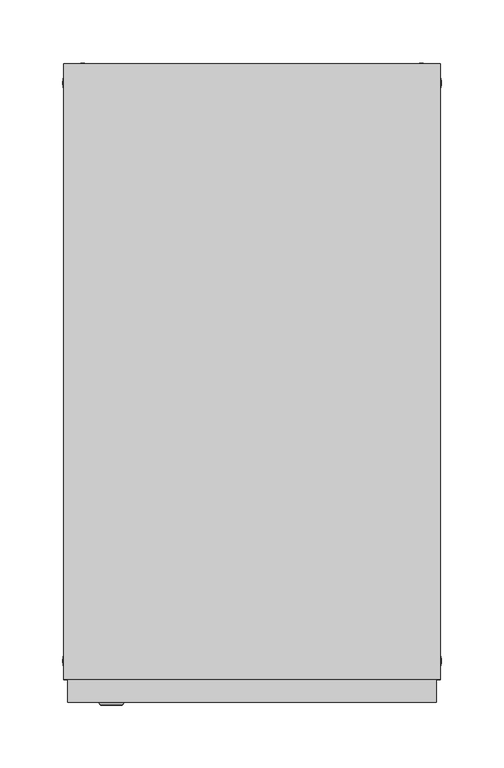
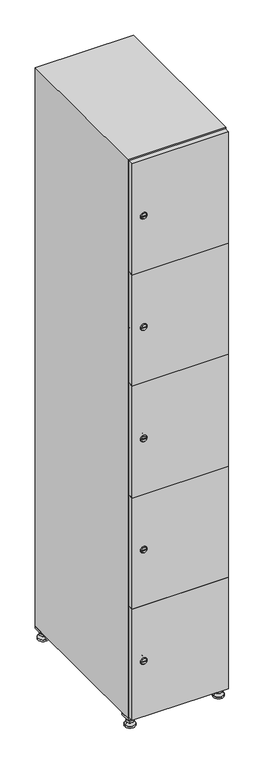
"""IFC4 building model written with IfcOpenShell, lengths in millimetres: furniture geometry."""

from ifc_helpers import new_model, si_unit, point, frame, frame_2d, origin, origin_with_axes, place, context, project, spatial, polyline, circle_curve, trimmed, segment, composite_curve, outline, extrude, faceted_brep, source, transform, mapped, element, save
from ifc_brep_helpers import plane_surface, revolved_surface, advanced_brep


def furniture_9c730607(model_context):
    return source(origin(), model_context, "Body", "SolidModel", [
        extrude(outline(polyline([(100.0, 245.0), (100.0, 215.0), (70.0, 215.0), (70.0, 245.0), (100.0, 245.0)]), holes=[polyline([(98.0, 243.0), (72.0, 243.0), (72.0, 217.0), (98.0, 217.0), (98.0, 243.0)])]), frame((0.0, 0.0, 28.5), z_axis=(0.0, 0.0, 1.0), x_axis=(1.0, 0.0, 0.0)), (0.0, 0.0, 1.0), 6.5),
        extrude(outline(polyline([(70.0, -245.0), (70.0, -215.0), (100.0, -215.0), (100.0, -245.0), (70.0, -245.0)]), holes=[polyline([(72.0, -243.0), (98.0, -243.0), (98.0, -217.0), (72.0, -217.0), (72.0, -243.0)])]), frame((0.0, 0.0, 28.5), z_axis=(0.0, 0.0, 1.0), x_axis=(1.0, 0.0, 0.0)), (0.0, 0.0, 1.0), 6.5),
        extrude(outline(polyline([(-170.0, 245.0), (-170.0, 215.0), (-200.0, 215.0), (-200.0, 245.0), (-170.0, 245.0)]), holes=[polyline([(-172.0, 243.0), (-198.0, 243.0), (-198.0, 217.0), (-172.0, 217.0), (-172.0, 243.0)])]), frame((0.0, 0.0, 28.5), z_axis=(0.0, 0.0, 1.0), x_axis=(1.0, 0.0, 0.0)), (0.0, 0.0, 1.0), 6.5),
        extrude(outline(polyline([(-170.0, -215.0), (-170.0, -245.0), (-200.0, -245.0), (-200.0, -215.0), (-170.0, -215.0)]), holes=[polyline([(-198.0, -243.0), (-172.0, -243.0), (-172.0, -217.0), (-198.0, -217.0), (-198.0, -243.0)])]), frame((0.0, 0.0, 28.5), z_axis=(0.0, 0.0, 1.0), x_axis=(1.0, 0.0, 0.0)), (0.0, 0.0, 1.0), 6.5),
        extrude(outline(composite_curve([segment(trimmed(circle_curve(frame_2d((-185.0, 230.0)), 5.0), [point((-180.0, 230.0))], [point((-190.0, 230.0))], False, "CARTESIAN"), True, "CONTINUOUS"), segment(trimmed(circle_curve(frame_2d((-185.0, 230.0)), 5.0), [point((-190.0, 230.0))], [point((-180.0, 230.0))], False, "CARTESIAN"), True, "CONTINUOUS")], self_intersect=False)), frame((0.0, 0.0, 19.6), z_axis=(0.0, 0.0, 1.0), x_axis=(1.0, 0.0, 0.0)), (0.0, 0.0, 1.0), 15.4),
        extrude(outline(composite_curve([segment(trimmed(circle_curve(frame_2d((-185.0, -230.0)), 5.0), [point((-180.0, -230.0))], [point((-190.0, -230.0))], False, "CARTESIAN"), True, "CONTINUOUS"), segment(trimmed(circle_curve(frame_2d((-185.0, -230.0)), 5.0), [point((-190.0, -230.0))], [point((-180.0, -230.0))], False, "CARTESIAN"), True, "CONTINUOUS")], self_intersect=False)), frame((0.0, 0.0, 19.6), z_axis=(0.0, 0.0, 1.0), x_axis=(1.0, 0.0, 0.0)), (0.0, 0.0, 1.0), 15.4),
        extrude(outline(composite_curve([segment(trimmed(circle_curve(frame_2d((85.0, 230.0)), 5.0), [point((90.0, 230.0))], [point((80.0, 230.0))], False, "CARTESIAN"), True, "CONTINUOUS"), segment(trimmed(circle_curve(frame_2d((85.0, 230.0)), 5.0), [point((80.0, 230.0))], [point((90.0, 230.0))], False, "CARTESIAN"), True, "CONTINUOUS")], self_intersect=False)), frame((0.0, 0.0, 19.6), z_axis=(0.0, 0.0, 1.0), x_axis=(1.0, 0.0, 0.0)), (0.0, 0.0, 1.0), 15.4),
        extrude(outline(polyline([(73.4529946, 230.0), (79.2264973, 240.0), (90.7735027, 240.0), (96.5470054, 230.0), (90.7735027, 220.0), (79.2264973, 220.0), (73.4529946, 230.0)])), frame((0.0, 0.0, 13.6), z_axis=(0.0, 0.0, 1.0), x_axis=(1.0, 0.0, 0.0)), (0.0, 0.0, 1.0), 6.0),
        extrude(outline(composite_curve([segment(trimmed(circle_curve(frame_2d((85.0, -230.0)), 5.0), [point((90.0, -230.0))], [point((80.0, -230.0))], False, "CARTESIAN"), True, "CONTINUOUS"), segment(trimmed(circle_curve(frame_2d((85.0, -230.0)), 5.0), [point((80.0, -230.0))], [point((90.0, -230.0))], False, "CARTESIAN"), True, "CONTINUOUS")], self_intersect=False)), frame((0.0, 0.0, 19.6), z_axis=(0.0, 0.0, 1.0), x_axis=(1.0, 0.0, 0.0)), (0.0, 0.0, 1.0), 15.4),
        extrude(outline(polyline([(73.4529946, -230.0), (79.2264973, -220.0), (90.7735027, -220.0), (96.5470054, -230.0), (90.7735027, -240.0), (79.2264973, -240.0), (73.4529946, -230.0)])), frame((0.0, 0.0, 13.6), z_axis=(0.0, 0.0, 1.0), x_axis=(1.0, 0.0, 0.0)), (0.0, 0.0, 1.0), 6.0),
        extrude(outline(composite_curve([segment(trimmed(circle_curve(frame_2d((85.0, 230.0)), 5.0), [point((90.0, 230.0))], [point((80.0, 230.0))], False, "CARTESIAN"), True, "CONTINUOUS"), segment(trimmed(circle_curve(frame_2d((85.0, 230.0)), 5.0), [point((80.0, 230.0))], [point((90.0, 230.0))], False, "CARTESIAN"), True, "CONTINUOUS")], self_intersect=False)), frame((0.0, 0.0, 12.1), z_axis=(0.0, 0.0, 1.0), x_axis=(1.0, 0.0, 0.0)), (0.0, 0.0, 1.0), 1.5),
        extrude(outline(composite_curve([segment(trimmed(circle_curve(frame_2d((85.0, -230.0)), 5.0), [point((90.0, -230.0))], [point((80.0, -230.0))], False, "CARTESIAN"), True, "CONTINUOUS"), segment(trimmed(circle_curve(frame_2d((85.0, -230.0)), 5.0), [point((80.0, -230.0))], [point((90.0, -230.0))], False, "CARTESIAN"), True, "CONTINUOUS")], self_intersect=False)), frame((0.0, 0.0, 12.1), z_axis=(0.0, 0.0, 1.0), x_axis=(1.0, 0.0, 0.0)), (0.0, 0.0, 1.0), 1.5),
        extrude(outline(polyline([(-196.5470054, 230.0), (-190.7735027, 240.0), (-179.2264973, 240.0), (-173.4529946, 230.0), (-179.2264973, 220.0), (-190.7735027, 220.0), (-196.5470054, 230.0)])), frame((0.0, 0.0, 13.6), z_axis=(0.0, 0.0, 1.0), x_axis=(1.0, 0.0, 0.0)), (0.0, 0.0, 1.0), 6.0),
        extrude(outline(polyline([(-196.5470054, -230.0), (-190.7735027, -220.0), (-179.2264973, -220.0), (-173.4529946, -230.0), (-179.2264973, -240.0), (-190.7735027, -240.0), (-196.5470054, -230.0)])), frame((0.0, 0.0, 13.6), z_axis=(0.0, 0.0, 1.0), x_axis=(1.0, 0.0, 0.0)), (0.0, 0.0, 1.0), 6.0),
        extrude(outline(composite_curve([segment(trimmed(circle_curve(frame_2d((-185.0, 230.0)), 5.0), [point((-185.0, 235.0))], [point((-185.0, 225.0))], False, "CARTESIAN"), True, "CONTINUOUS"), segment(trimmed(circle_curve(frame_2d((-185.0, 230.0)), 5.0), [point((-185.0, 225.0))], [point((-185.0, 235.0))], False, "CARTESIAN"), True, "CONTINUOUS")], self_intersect=False)), frame((0.0, 0.0, 12.1), z_axis=(0.0, 0.0, 1.0), x_axis=(1.0, 0.0, 0.0)), (0.0, 0.0, 1.0), 1.5),
        extrude(outline(composite_curve([segment(trimmed(circle_curve(frame_2d((-185.0, -230.0)), 5.0), [point((-180.0, -230.0))], [point((-190.0, -230.0))], False, "CARTESIAN"), True, "CONTINUOUS"), segment(trimmed(circle_curve(frame_2d((-185.0, -230.0)), 5.0), [point((-190.0, -230.0))], [point((-180.0, -230.0))], False, "CARTESIAN"), True, "CONTINUOUS")], self_intersect=False)), frame((0.0, 0.0, 12.1), z_axis=(0.0, 0.0, 1.0), x_axis=(1.0, 0.0, 0.0)), (0.0, 0.0, 1.0), 1.5),
        extrude(outline(composite_curve([segment(trimmed(circle_curve(frame_2d((85.0, 230.0)), 15.75), [point((100.75, 230.0))], [point((69.25, 230.0))], False, "CARTESIAN"), True, "CONTINUOUS"), segment(trimmed(circle_curve(frame_2d((85.0, 230.0)), 15.75), [point((69.25, 230.0))], [point((100.75, 230.0))], False, "CARTESIAN"), True, "CONTINUOUS")], self_intersect=False)), origin_with_axes(), (0.0, 0.0, 1.0), 5.1),
        extrude(outline(composite_curve([segment(trimmed(circle_curve(frame_2d((85.0, -230.0)), 15.75), [point((85.0, -214.25))], [point((85.0, -245.75))], False, "CARTESIAN"), True, "CONTINUOUS"), segment(trimmed(circle_curve(frame_2d((85.0, -230.0)), 15.75), [point((85.0, -245.75))], [point((85.0, -214.25))], False, "CARTESIAN"), True, "CONTINUOUS")], self_intersect=False)), origin_with_axes(), (0.0, 0.0, 1.0), 5.1),
        extrude(outline(composite_curve([segment(trimmed(circle_curve(frame_2d((-185.0, -230.0)), 15.75), [point((-169.25, -230.0))], [point((-200.75, -230.0))], False, "CARTESIAN"), True, "CONTINUOUS"), segment(trimmed(circle_curve(frame_2d((-185.0, -230.0)), 15.75), [point((-200.75, -230.0))], [point((-169.25, -230.0))], False, "CARTESIAN"), True, "CONTINUOUS")], self_intersect=False)), origin_with_axes(), (0.0, 0.0, 1.0), 5.1),
        extrude(outline(composite_curve([segment(trimmed(circle_curve(frame_2d((-185.0, 230.0)), 15.75), [point((-169.25, 230.0))], [point((-200.75, 230.0))], False, "CARTESIAN"), True, "CONTINUOUS"), segment(trimmed(circle_curve(frame_2d((-185.0, 230.0)), 15.75), [point((-200.75, 230.0))], [point((-169.25, 230.0))], False, "CARTESIAN"), True, "CONTINUOUS")], self_intersect=False)), origin_with_axes(), (0.0, 0.0, 1.0), 5.1),
        advanced_brep(
        [(-185.0, 239.5, 12.1), (-185.0, 220.5, 12.1), (-185.0, 214.25, 5.1), (-185.0, 245.75, 5.1)],
        [
            (0, 1, circle_curve(frame((-185.0, 230.0, 12.1), z_axis=(0.0, 0.0, -1.0), x_axis=(0.0, 1.0, 0.0)), 9.5)),
            (1, 2),
            (2, 3, circle_curve(frame((-185.0, 230.0, 5.1), z_axis=(0.0, 0.0, 1.0), x_axis=(0.0, 1.0, 0.0)), 15.75)),
            (3, 0),
            (1, 0, circle_curve(frame((-185.0, 230.0, 12.1), z_axis=(0.0, 0.0, -1.0), x_axis=(0.0, -1.0, 0.0)), 9.5)),
            (3, 2, circle_curve(frame((-185.0, 230.0, 5.1), z_axis=(0.0, 0.0, 1.0), x_axis=(0.0, -1.0, 0.0)), 15.75)),
        ],
        [
            revolved_surface(polyline([(-185.0, 220.5, 12.099999999999998), (-185.0, 214.25, 5.099999999999998)]), (-185.0, 230.0, 22.74), (0.0, 0.0, -1.0)),
            revolved_surface(polyline([(-185.0, 239.5, 12.099999999999998), (-185.0, 245.75, 5.099999999999998)]), (-185.0, 230.0, 22.74), (0.0, 0.0, -1.0)),
            plane_surface(frame((-185.0, 230.0, 5.1), z_axis=(0.0, 0.0, -1.0), x_axis=(1.0, 0.0, 0.0))),
            plane_surface(frame((-185.0, 230.0, 12.1), z_axis=(0.0, 0.0, 1.0), x_axis=(1.0, 0.0, 0.0))),
        ],
        [
            (0, [[1, 2, 3, 4]]),
            (1, [[5, -4, 6, -2]]),
            (2, [[-3, -6]]),
            (3, [[-5, -1]]),
        ],
    ),
        advanced_brep(
        [(85.0, 239.5, 12.1), (85.0, 220.5, 12.1), (85.0, 214.25, 5.1), (85.0, 245.75, 5.1)],
        [
            (0, 1, circle_curve(frame((85.0, 230.0, 12.1), z_axis=(0.0, 0.0, -1.0), x_axis=(0.0, 1.0, 0.0)), 9.5)),
            (1, 2),
            (2, 3, circle_curve(frame((85.0, 230.0, 5.1), z_axis=(0.0, 0.0, 1.0), x_axis=(0.0, 1.0, 0.0)), 15.75)),
            (3, 0),
            (1, 0, circle_curve(frame((85.0, 230.0, 12.1), z_axis=(0.0, 0.0, -1.0), x_axis=(0.0, -1.0, 0.0)), 9.5)),
            (3, 2, circle_curve(frame((85.0, 230.0, 5.1), z_axis=(0.0, 0.0, 1.0), x_axis=(0.0, -1.0, 0.0)), 15.75)),
        ],
        [
            revolved_surface(polyline([(85.0, 220.5, 12.099999999999998), (85.0, 214.25, 5.099999999999998)]), (85.0, 230.0, 22.74), (0.0, 0.0, -1.0)),
            revolved_surface(polyline([(85.0, 239.5, 12.099999999999998), (85.0, 245.75, 5.099999999999998)]), (85.0, 230.0, 22.74), (0.0, 0.0, -1.0)),
            plane_surface(frame((85.0, 230.0, 5.1), z_axis=(0.0, 0.0, -1.0), x_axis=(1.0, 0.0, 0.0))),
            plane_surface(frame((85.0, 230.0, 12.1), z_axis=(0.0, 0.0, 1.0), x_axis=(1.0, 0.0, 0.0))),
        ],
        [
            (0, [[1, 2, 3, 4]]),
            (1, [[5, -4, 6, -2]]),
            (2, [[-3, -6]]),
            (3, [[-5, -1]]),
        ],
    ),
        advanced_brep(
        [(100.75, -230.0, 5.1), (69.25, -230.0, 5.1), (75.5, -230.0, 12.1), (94.5, -230.0, 12.1)],
        [
            (0, 1, circle_curve(frame((85.0, -230.0, 5.1), z_axis=(0.0, 0.0, 1.0), x_axis=(1.0, 0.0, 0.0)), 15.75)),
            (1, 2),
            (2, 3, circle_curve(frame((85.0, -230.0, 12.1), z_axis=(0.0, 0.0, -1.0), x_axis=(1.0, 0.0, 0.0)), 9.5)),
            (3, 0),
            (1, 0, circle_curve(frame((85.0, -230.0, 5.1), z_axis=(0.0, 0.0, 1.0), x_axis=(-1.0, 0.0, 0.0)), 15.75)),
            (3, 2, circle_curve(frame((85.0, -230.0, 12.1), z_axis=(0.0, 0.0, -1.0), x_axis=(-1.0, 0.0, 0.0)), 9.5)),
        ],
        [
            revolved_surface(polyline([(94.5, -230.0, 12.099999999999998), (100.75, -230.0, 5.099999999999998)]), (85.0, -230.0, 22.74), (0.0, 0.0, -1.0)),
            revolved_surface(polyline([(75.5, -230.0, 12.099999999999998), (69.25, -230.0, 5.099999999999998)]), (85.0, -230.0, 22.74), (0.0, 0.0, -1.0)),
            plane_surface(frame((85.0, -230.0, 12.1), z_axis=(0.0, 0.0, 1.0), x_axis=(0.0, 1.0, 0.0))),
            plane_surface(frame((85.0, -230.0, 5.1), z_axis=(0.0, 0.0, -1.0), x_axis=(0.0, 1.0, 0.0))),
        ],
        [
            (0, [[1, 2, 3, 4]]),
            (1, [[5, -4, 6, -2]]),
            (2, [[-3, -6]]),
            (3, [[-5, -1]]),
        ],
    ),
        advanced_brep(
        [(-169.25, -230.0, 5.1), (-200.75, -230.0, 5.1), (-194.5, -230.0, 12.1), (-175.5, -230.0, 12.1)],
        [
            (0, 1, circle_curve(frame((-185.0, -230.0, 5.1), z_axis=(0.0, 0.0, 1.0), x_axis=(1.0, 0.0, 0.0)), 15.75)),
            (1, 2),
            (2, 3, circle_curve(frame((-185.0, -230.0, 12.1), z_axis=(0.0, 0.0, -1.0), x_axis=(1.0, 0.0, 0.0)), 9.5)),
            (3, 0),
            (1, 0, circle_curve(frame((-185.0, -230.0, 5.1), z_axis=(0.0, 0.0, 1.0), x_axis=(-1.0, 0.0, 0.0)), 15.75)),
            (3, 2, circle_curve(frame((-185.0, -230.0, 12.1), z_axis=(0.0, 0.0, -1.0), x_axis=(-1.0, 0.0, 0.0)), 9.5)),
        ],
        [
            revolved_surface(polyline([(-175.5, -230.0, 12.099999999999998), (-169.25, -230.0, 5.099999999999998)]), (-185.0, -230.0, 22.74), (0.0, 0.0, -1.0)),
            revolved_surface(polyline([(-194.5, -230.0, 12.099999999999998), (-200.75, -230.0, 5.099999999999998)]), (-185.0, -230.0, 22.74), (0.0, 0.0, -1.0)),
            plane_surface(frame((-185.0, -230.0, 12.1), z_axis=(0.0, 0.0, 1.0), x_axis=(0.0, 1.0, 0.0))),
            plane_surface(frame((-185.0, -230.0, 5.1), z_axis=(0.0, 0.0, -1.0), x_axis=(0.0, 1.0, 0.0))),
        ],
        [
            (0, [[1, 2, 3, 4]]),
            (1, [[5, -4, 6, -2]]),
            (2, [[-3, -6]]),
            (3, [[-5, -1]]),
        ],
    ),
        extrude(outline(composite_curve([segment(trimmed(circle_curve(frame_2d((217.4, -188.7989466)), 7.0), [point((224.4, -188.7989466))], [point((210.4, -188.7989466))], False, "CARTESIAN"), True, "CONTINUOUS"), segment(polyline([(210.4, -188.7989466), (210.4, -160.7989466)]), True, "CONTINUOUS"), segment(trimmed(circle_curve(frame_2d((217.4, -160.7989466)), 7.0), [point((210.4, -160.7989466))], [point((224.4, -160.7989466))], False, "CARTESIAN"), True, "CONTINUOUS"), segment(polyline([(224.4, -160.7989466), (224.4, -188.7989466)]), True, "CONTINUOUS")], self_intersect=False)), frame((0.0, -245.0, 0.0), z_axis=(0.0, 1.0, 0.0), x_axis=(0.0, 0.0, 1.0)), (0.0, 0.0, 1.0), 2.0),
        advanced_brep(
        [(-153.5, -265.2, 217.4), (-170.5, -265.2, 217.4), (-167.0, -265.2, 216.15), (-167.0, -265.2, 218.65), (-157.0, -265.2, 218.65), (-157.0, -265.2, 216.15), (-151.5, -263.0, 217.4), (-172.5, -263.0, 217.4), (-167.0, -263.0, 218.65), (-167.0, -263.0, 216.15), (-157.0, -263.0, 216.15), (-157.0, -263.0, 218.65)],
        [
            (0, 1, circle_curve(frame((-162.0, -265.2, 217.4), z_axis=(0.0, -1.0, 0.0), x_axis=(1.0, 0.0, 0.0)), 8.5)),
            (1, 0, circle_curve(frame((-162.0, -265.2, 217.4), z_axis=(0.0, -1.0, 0.0), x_axis=(-1.0, 0.0, 0.0)), 8.5)),
            (2, 3),
            (3, 4),
            (4, 5),
            (5, 2),
            (6, 7, circle_curve(frame((-162.0, -263.0, 217.4), z_axis=(0.0, 1.0, 0.0), x_axis=(-1.0, 0.0, 0.0)), 10.5)),
            (7, 6, circle_curve(frame((-162.0, -263.0, 217.4), z_axis=(0.0, 1.0, 0.0), x_axis=(1.0, 0.0, 0.0)), 10.5)),
            (8, 9),
            (9, 10),
            (10, 11),
            (11, 8),
            (0, 6),
            (7, 1),
            (8, 3),
            (2, 9),
            (11, 4),
            (10, 5),
        ],
        [
            plane_surface(frame((-162.0, -265.2, 217.4), z_axis=(0.0, -1.0, 0.0), x_axis=(0.0, 0.0, 1.0))),
            plane_surface(frame((-162.0, -263.0, 217.4), z_axis=(0.0, 1.0, 0.0), x_axis=(0.0, 0.0, 1.0))),
            revolved_surface(polyline([(-153.5, -265.2, 217.4), (-151.5, -263.0, 217.4)]), (-162.0, -274.55, 217.4), (0.0, 1.0, 0.0)),
            revolved_surface(polyline([(-170.5, -265.2, 217.4), (-172.5, -263.0, 217.4)]), (-162.0, -274.55, 217.4), (0.0, 1.0, 0.0)),
            plane_surface(frame((-167.0, -263.0, 216.15), z_axis=(1.0, 0.0, 0.0), x_axis=(0.0, -1.0, 0.0))),
            plane_surface(frame((-167.0, -263.0, 218.65), z_axis=(0.0, 0.0, -1.0), x_axis=(0.0, -1.0, 0.0))),
            plane_surface(frame((-157.0, -263.0, 218.65), z_axis=(-1.0, 0.0, 0.0), x_axis=(0.0, -1.0, 0.0))),
            plane_surface(frame((-157.0, -263.0, 216.15), z_axis=(0.0, 0.0, 1.0), x_axis=(0.0, -1.0, 0.0))),
        ],
        [
            (0, [[1, 2], [3, 4, 5, 6]]),
            (1, [[7, 8], [9, 10, 11, 12]]),
            (2, [[-1, 13, -8, 14]]),
            (3, [[-2, -14, -7, -13]]),
            (4, [[15, -3, 16, -9]]),
            (5, [[-15, -12, 17, -4]]),
            (6, [[-17, -11, 18, -5]]),
            (7, [[-16, -6, -18, -10]]),
        ],
    ),
        extrude(outline(composite_curve([segment(trimmed(circle_curve(frame_2d((576.2, -188.7989466)), 7.0), [point((583.2, -188.7989466))], [point((569.2, -188.7989466))], False, "CARTESIAN"), True, "CONTINUOUS"), segment(polyline([(569.2, -188.7989466), (569.2, -160.7989466)]), True, "CONTINUOUS"), segment(trimmed(circle_curve(frame_2d((576.2, -160.7989466)), 7.0), [point((569.2, -160.7989466))], [point((583.2, -160.7989466))], False, "CARTESIAN"), True, "CONTINUOUS"), segment(polyline([(583.2, -160.7989466), (583.2, -188.7989466)]), True, "CONTINUOUS")], self_intersect=False)), frame((0.0, -245.0, 0.0), z_axis=(0.0, 1.0, 0.0), x_axis=(0.0, 0.0, 1.0)), (0.0, 0.0, 1.0), 2.0),
        advanced_brep(
        [(-153.5, -265.2, 576.2), (-170.5, -265.2, 576.2), (-167.0, -265.2, 574.95), (-167.0, -265.2, 577.45), (-157.0, -265.2, 577.45), (-157.0, -265.2, 574.95), (-151.5, -263.0, 576.2), (-172.5, -263.0, 576.2), (-167.0, -263.0, 577.45), (-167.0, -263.0, 574.95), (-157.0, -263.0, 574.95), (-157.0, -263.0, 577.45)],
        [
            (0, 1, circle_curve(frame((-162.0, -265.2, 576.2), z_axis=(0.0, -1.0, 0.0), x_axis=(1.0, 0.0, 0.0)), 8.5)),
            (1, 0, circle_curve(frame((-162.0, -265.2, 576.2), z_axis=(0.0, -1.0, 0.0), x_axis=(-1.0, 0.0, 0.0)), 8.5)),
            (2, 3),
            (3, 4),
            (4, 5),
            (5, 2),
            (6, 7, circle_curve(frame((-162.0, -263.0, 576.2), z_axis=(0.0, 1.0, 0.0), x_axis=(-1.0, 0.0, 0.0)), 10.5)),
            (7, 6, circle_curve(frame((-162.0, -263.0, 576.2), z_axis=(0.0, 1.0, 0.0), x_axis=(1.0, 0.0, 0.0)), 10.5)),
            (8, 9),
            (9, 10),
            (10, 11),
            (11, 8),
            (0, 6),
            (7, 1),
            (8, 3),
            (2, 9),
            (11, 4),
            (10, 5),
        ],
        [
            plane_surface(frame((-162.0, -265.2, 576.2), z_axis=(0.0, -1.0, 0.0), x_axis=(0.0, 0.0, 1.0))),
            plane_surface(frame((-162.0, -263.0, 576.2), z_axis=(0.0, 1.0, 0.0), x_axis=(0.0, 0.0, 1.0))),
            revolved_surface(polyline([(-153.5, -265.2, 576.2), (-151.5, -263.0, 576.2)]), (-162.0, -274.55, 576.2), (0.0, 1.0, 0.0)),
            revolved_surface(polyline([(-170.5, -265.2, 576.2), (-172.5, -263.0, 576.2)]), (-162.0, -274.55, 576.2), (0.0, 1.0, 0.0)),
            plane_surface(frame((-167.0, -263.0, 574.95), z_axis=(1.0, 0.0, 0.0), x_axis=(0.0, -1.0, 0.0))),
            plane_surface(frame((-167.0, -263.0, 577.45), z_axis=(0.0, 0.0, -1.0), x_axis=(0.0, -1.0, 0.0))),
            plane_surface(frame((-157.0, -263.0, 577.45), z_axis=(-1.0, 0.0, 0.0), x_axis=(0.0, -1.0, 0.0))),
            plane_surface(frame((-157.0, -263.0, 574.95), z_axis=(0.0, 0.0, 1.0), x_axis=(0.0, -1.0, 0.0))),
        ],
        [
            (0, [[1, 2], [3, 4, 5, 6]]),
            (1, [[7, 8], [9, 10, 11, 12]]),
            (2, [[-1, 13, -8, 14]]),
            (3, [[-2, -14, -7, -13]]),
            (4, [[15, -3, 16, -9]]),
            (5, [[-15, -12, 17, -4]]),
            (6, [[-17, -11, 18, -5]]),
            (7, [[-16, -6, -18, -10]]),
        ],
    ),
        extrude(outline(composite_curve([segment(trimmed(circle_curve(frame_2d((935.0, -188.7989466)), 7.0), [point((942.0, -188.7989466))], [point((928.0, -188.7989466))], False, "CARTESIAN"), True, "CONTINUOUS"), segment(polyline([(928.0, -188.7989466), (928.0, -160.7989466)]), True, "CONTINUOUS"), segment(trimmed(circle_curve(frame_2d((935.0, -160.7989466)), 7.0), [point((928.0, -160.7989466))], [point((942.0, -160.7989466))], False, "CARTESIAN"), True, "CONTINUOUS"), segment(polyline([(942.0, -160.7989466), (942.0, -188.7989466)]), True, "CONTINUOUS")], self_intersect=False)), frame((0.0, -245.0, 0.0), z_axis=(0.0, 1.0, 0.0), x_axis=(0.0, 0.0, 1.0)), (0.0, 0.0, 1.0), 2.0),
        advanced_brep(
        [(-153.5, -265.2, 935.0), (-170.5, -265.2, 935.0), (-167.0, -265.2, 933.75), (-167.0, -265.2, 936.25), (-157.0, -265.2, 936.25), (-157.0, -265.2, 933.75), (-151.5, -263.0, 935.0), (-172.5, -263.0, 935.0), (-167.0, -263.0, 936.25), (-167.0, -263.0, 933.75), (-157.0, -263.0, 933.75), (-157.0, -263.0, 936.25)],
        [
            (0, 1, circle_curve(frame((-162.0, -265.2, 935.0), z_axis=(0.0, -1.0, 0.0), x_axis=(1.0, 0.0, 0.0)), 8.5)),
            (1, 0, circle_curve(frame((-162.0, -265.2, 935.0), z_axis=(0.0, -1.0, 0.0), x_axis=(-1.0, 0.0, 0.0)), 8.5)),
            (2, 3),
            (3, 4),
            (4, 5),
            (5, 2),
            (6, 7, circle_curve(frame((-162.0, -263.0, 935.0), z_axis=(0.0, 1.0, 0.0), x_axis=(-1.0, 0.0, 0.0)), 10.5)),
            (7, 6, circle_curve(frame((-162.0, -263.0, 935.0), z_axis=(0.0, 1.0, 0.0), x_axis=(1.0, 0.0, 0.0)), 10.5)),
            (8, 9),
            (9, 10),
            (10, 11),
            (11, 8),
            (0, 6),
            (7, 1),
            (8, 3),
            (2, 9),
            (11, 4),
            (10, 5),
        ],
        [
            plane_surface(frame((-162.0, -265.2, 935.0), z_axis=(0.0, -1.0, 0.0), x_axis=(0.0, 0.0, 1.0))),
            plane_surface(frame((-162.0, -263.0, 935.0), z_axis=(0.0, 1.0, 0.0), x_axis=(0.0, 0.0, 1.0))),
            revolved_surface(polyline([(-153.5, -265.2, 935.0), (-151.5, -263.0, 935.0)]), (-162.0, -274.55, 935.0), (0.0, 1.0, 0.0)),
            revolved_surface(polyline([(-170.5, -265.2, 935.0), (-172.5, -263.0, 935.0)]), (-162.0, -274.55, 935.0), (0.0, 1.0, 0.0)),
            plane_surface(frame((-167.0, -263.0, 933.75), z_axis=(1.0, 0.0, 0.0), x_axis=(0.0, -1.0, 0.0))),
            plane_surface(frame((-167.0, -263.0, 936.25), z_axis=(0.0, 0.0, -1.0), x_axis=(0.0, -1.0, 0.0))),
            plane_surface(frame((-157.0, -263.0, 936.25), z_axis=(-1.0, 0.0, 0.0), x_axis=(0.0, -1.0, 0.0))),
            plane_surface(frame((-157.0, -263.0, 933.75), z_axis=(0.0, 0.0, 1.0), x_axis=(0.0, -1.0, 0.0))),
        ],
        [
            (0, [[1, 2], [3, 4, 5, 6]]),
            (1, [[7, 8], [9, 10, 11, 12]]),
            (2, [[-1, 13, -8, 14]]),
            (3, [[-2, -14, -7, -13]]),
            (4, [[15, -3, 16, -9]]),
            (5, [[-15, -12, 17, -4]]),
            (6, [[-17, -11, 18, -5]]),
            (7, [[-16, -6, -18, -10]]),
        ],
    ),
        extrude(outline(composite_curve([segment(trimmed(circle_curve(frame_2d((1293.8, -188.7989466)), 7.0), [point((1300.8, -188.7989466))], [point((1286.8, -188.7989466))], False, "CARTESIAN"), True, "CONTINUOUS"), segment(polyline([(1286.8, -188.7989466), (1286.8, -160.7989466)]), True, "CONTINUOUS"), segment(trimmed(circle_curve(frame_2d((1293.8, -160.7989466)), 7.0), [point((1286.8, -160.7989466))], [point((1300.8, -160.7989466))], False, "CARTESIAN"), True, "CONTINUOUS"), segment(polyline([(1300.8, -160.7989466), (1300.8, -188.7989466)]), True, "CONTINUOUS")], self_intersect=False)), frame((0.0, -245.0, 0.0), z_axis=(0.0, 1.0, 0.0), x_axis=(0.0, 0.0, 1.0)), (0.0, 0.0, 1.0), 2.0),
        advanced_brep(
        [(-153.5, -265.2, 1293.8), (-170.5, -265.2, 1293.8), (-167.0, -265.2, 1292.55), (-167.0, -265.2, 1295.05), (-157.0, -265.2, 1295.05), (-157.0, -265.2, 1292.55), (-151.5, -263.0, 1293.8), (-172.5, -263.0, 1293.8), (-167.0, -263.0, 1295.05), (-167.0, -263.0, 1292.55), (-157.0, -263.0, 1292.55), (-157.0, -263.0, 1295.05)],
        [
            (0, 1, circle_curve(frame((-162.0, -265.2, 1293.8), z_axis=(0.0, -1.0, 0.0), x_axis=(1.0, 0.0, 0.0)), 8.5)),
            (1, 0, circle_curve(frame((-162.0, -265.2, 1293.8), z_axis=(0.0, -1.0, 0.0), x_axis=(-1.0, 0.0, 0.0)), 8.5)),
            (2, 3),
            (3, 4),
            (4, 5),
            (5, 2),
            (6, 7, circle_curve(frame((-162.0, -263.0, 1293.8), z_axis=(0.0, 1.0, 0.0), x_axis=(-1.0, 0.0, 0.0)), 10.5)),
            (7, 6, circle_curve(frame((-162.0, -263.0, 1293.8), z_axis=(0.0, 1.0, 0.0), x_axis=(1.0, 0.0, 0.0)), 10.5)),
            (8, 9),
            (9, 10),
            (10, 11),
            (11, 8),
            (0, 6),
            (7, 1),
            (8, 3),
            (2, 9),
            (11, 4),
            (10, 5),
        ],
        [
            plane_surface(frame((-162.0, -265.2, 1293.8), z_axis=(0.0, -1.0, 0.0), x_axis=(0.0, 0.0, 1.0))),
            plane_surface(frame((-162.0, -263.0, 1293.8), z_axis=(0.0, 1.0, 0.0), x_axis=(0.0, 0.0, 1.0))),
            revolved_surface(polyline([(-153.5, -265.2, 1293.8), (-151.5, -263.0, 1293.8)]), (-162.0, -274.55, 1293.8), (0.0, 1.0, 0.0)),
            revolved_surface(polyline([(-170.5, -265.2, 1293.8), (-172.5, -263.0, 1293.8)]), (-162.0, -274.55, 1293.8), (0.0, 1.0, 0.0)),
            plane_surface(frame((-167.0, -263.0, 1292.55), z_axis=(1.0, 0.0, 0.0), x_axis=(0.0, -1.0, 0.0))),
            plane_surface(frame((-167.0, -263.0, 1295.05), z_axis=(0.0, 0.0, -1.0), x_axis=(0.0, -1.0, 0.0))),
            plane_surface(frame((-157.0, -263.0, 1295.05), z_axis=(-1.0, 0.0, 0.0), x_axis=(0.0, -1.0, 0.0))),
            plane_surface(frame((-157.0, -263.0, 1292.55), z_axis=(0.0, 0.0, 1.0), x_axis=(0.0, -1.0, 0.0))),
        ],
        [
            (0, [[1, 2], [3, 4, 5, 6]]),
            (1, [[7, 8], [9, 10, 11, 12]]),
            (2, [[-1, 13, -8, 14]]),
            (3, [[-2, -14, -7, -13]]),
            (4, [[15, -3, 16, -9]]),
            (5, [[-15, -12, 17, -4]]),
            (6, [[-17, -11, 18, -5]]),
            (7, [[-16, -6, -18, -10]]),
        ],
    ),
        extrude(outline(composite_curve([segment(trimmed(circle_curve(frame_2d((1652.6, -188.7989466)), 7.0), [point((1659.6, -188.7989466))], [point((1645.6, -188.7989466))], False, "CARTESIAN"), True, "CONTINUOUS"), segment(polyline([(1645.6, -188.7989466), (1645.6, -160.7989466)]), True, "CONTINUOUS"), segment(trimmed(circle_curve(frame_2d((1652.6, -160.7989466)), 7.0), [point((1645.6, -160.7989466))], [point((1659.6, -160.7989466))], False, "CARTESIAN"), True, "CONTINUOUS"), segment(polyline([(1659.6, -160.7989466), (1659.6, -188.7989466)]), True, "CONTINUOUS")], self_intersect=False)), frame((0.0, -245.0, 0.0), z_axis=(0.0, 1.0, 0.0), x_axis=(0.0, 0.0, 1.0)), (0.0, 0.0, 1.0), 2.0),
        advanced_brep(
        [(-153.5, -265.2, 1652.6), (-170.5, -265.2, 1652.6), (-167.0, -265.2, 1651.35), (-167.0, -265.2, 1653.85), (-157.0, -265.2, 1653.85), (-157.0, -265.2, 1651.35), (-151.5, -263.0, 1652.6), (-172.5, -263.0, 1652.6), (-167.0, -263.0, 1653.85), (-167.0, -263.0, 1651.35), (-157.0, -263.0, 1651.35), (-157.0, -263.0, 1653.85)],
        [
            (0, 1, circle_curve(frame((-162.0, -265.2, 1652.6), z_axis=(0.0, -1.0, 0.0), x_axis=(1.0, 0.0, 0.0)), 8.5)),
            (1, 0, circle_curve(frame((-162.0, -265.2, 1652.6), z_axis=(0.0, -1.0, 0.0), x_axis=(-1.0, 0.0, 0.0)), 8.5)),
            (2, 3),
            (3, 4),
            (4, 5),
            (5, 2),
            (6, 7, circle_curve(frame((-162.0, -263.0, 1652.6), z_axis=(0.0, 1.0, 0.0), x_axis=(-1.0, 0.0, 0.0)), 10.5)),
            (7, 6, circle_curve(frame((-162.0, -263.0, 1652.6), z_axis=(0.0, 1.0, 0.0), x_axis=(1.0, 0.0, 0.0)), 10.5)),
            (8, 9),
            (9, 10),
            (10, 11),
            (11, 8),
            (0, 6),
            (7, 1),
            (8, 3),
            (2, 9),
            (11, 4),
            (10, 5),
        ],
        [
            plane_surface(frame((-162.0, -265.2, 1652.6), z_axis=(0.0, -1.0, 0.0), x_axis=(0.0, 0.0, 1.0))),
            plane_surface(frame((-162.0, -263.0, 1652.6), z_axis=(0.0, 1.0, 0.0), x_axis=(0.0, 0.0, 1.0))),
            revolved_surface(polyline([(-153.5, -265.2, 1652.6), (-151.5, -263.0, 1652.6)]), (-162.0, -274.55, 1652.6), (0.0, 1.0, 0.0)),
            revolved_surface(polyline([(-170.5, -265.2, 1652.6), (-172.5, -263.0, 1652.6)]), (-162.0, -274.55, 1652.6), (0.0, 1.0, 0.0)),
            plane_surface(frame((-167.0, -263.0, 1651.35), z_axis=(1.0, 0.0, 0.0), x_axis=(0.0, -1.0, 0.0))),
            plane_surface(frame((-167.0, -263.0, 1653.85), z_axis=(0.0, 0.0, -1.0), x_axis=(0.0, -1.0, 0.0))),
            plane_surface(frame((-157.0, -263.0, 1653.85), z_axis=(-1.0, 0.0, 0.0), x_axis=(0.0, -1.0, 0.0))),
            plane_surface(frame((-157.0, -263.0, 1651.35), z_axis=(0.0, 0.0, 1.0), x_axis=(0.0, -1.0, 0.0))),
        ],
        [
            (0, [[1, 2], [3, 4, 5, 6]]),
            (1, [[7, 8], [9, 10, 11, 12]]),
            (2, [[-1, 13, -8, 14]]),
            (3, [[-2, -14, -7, -13]]),
            (4, [[15, -3, 16, -9]]),
            (5, [[-15, -12, 17, -4]]),
            (6, [[-17, -11, 18, -5]]),
            (7, [[-16, -6, -18, -10]]),
        ],
    ),
        extrude(outline(polyline([(97.0, -245.0), (97.0, -263.0), (-197.0, -263.0), (-197.0, -245.0), (97.0, -245.0)])), frame((0.0, 0.0, 755.1), z_axis=(0.0, 0.0, 1.0), x_axis=(1.0, 0.0, 0.0)), (0.0, 0.0, 1.0), 359.8),
        extrude(outline(polyline([(97.0, -245.0), (97.0, -263.0), (-197.0, -263.0), (-197.0, -245.0), (97.0, -245.0)])), frame((0.0, 0.0, 396.3), z_axis=(0.0, 0.0, 1.0), x_axis=(1.0, 0.0, 0.0)), (0.0, 0.0, 1.0), 359.8),
        extrude(outline(polyline([(97.0, -245.0), (97.0, -263.0), (-197.0, -263.0), (-197.0, -245.0), (97.0, -245.0)])), frame((0.0, 0.0, 1113.9), z_axis=(0.0, 0.0, 1.0), x_axis=(1.0, 0.0, 0.0)), (0.0, 0.0, 1.0), 358.8),
        extrude(outline(polyline([(-197.0, -263.0), (-197.0, -245.0), (97.0, -245.0), (97.0, -263.0), (-197.0, -263.0)])), frame((0.0, 0.0, 1473.7), z_axis=(0.0, 0.0, 1.0), x_axis=(1.0, 0.0, 0.0)), (0.0, 0.0, 1.0), 358.3),
        extrude(outline(polyline([(97.0, -245.0), (97.0, -263.0), (-197.0, -263.0), (-197.0, -245.0), (97.0, -245.0)])), frame((0.0, 0.0, 38.0), z_axis=(0.0, 0.0, 1.0), x_axis=(1.0, 0.0, 0.0)), (0.0, 0.0, 1.0), 359.3),
        extrude(outline(polyline([(79.6, 242.0), (79.6, -227.0), (-179.6, -227.0), (-179.6, 242.0), (79.6, 242.0)])), frame((0.0, 0.0, 1446.68), z_axis=(0.0, 0.0, 1.0), x_axis=(1.0, 0.0, 0.0)), (0.0, 0.0, 1.0), 20.4),
        extrude(outline(polyline([(79.6, 242.0), (79.6, -227.0), (-179.6, -227.0), (-179.6, 242.0), (79.6, 242.0)])), frame((0.0, 0.0, 1098.76), z_axis=(0.0, 0.0, 1.0), x_axis=(1.0, 0.0, 0.0)), (0.0, 0.0, 1.0), 20.4),
        extrude(outline(polyline([(79.6, 242.0), (79.6, -227.0), (-179.6, -227.0), (-179.6, 242.0), (79.6, 242.0)])), frame((0.0, 0.0, 750.84), z_axis=(0.0, 0.0, 1.0), x_axis=(1.0, 0.0, 0.0)), (0.0, 0.0, 1.0), 20.4),
        extrude(outline(polyline([(-179.6, 242.0), (79.6, 242.0), (79.6, -227.0), (-179.6, -227.0), (-179.6, 242.0)])), frame((0.0, 0.0, 402.92), z_axis=(0.0, 0.0, 1.0), x_axis=(1.0, 0.0, 0.0)), (0.0, 0.0, 1.0), 20.4),
        faceted_brep([(100.0, -245.0, 35.0), (100.0, -245.0, 1835.0), (-200.0, -245.0, 1835.0), (-200.0, -245.0, 35.0), (79.6, -245.0, 1804.8), (79.6, -245.0, 65.2), (-179.6, -245.0, 65.2), (-179.6, -245.0, 1804.8), (100.0, 245.0, 35.0), (-200.0, 245.0, 35.0), (100.0, 245.0, 1835.0), (-200.0, 245.0, 1835.0), (79.6, 242.0, 1804.8), (79.6, 242.0, 65.2), (-200.0, 245.0, 1804.8), (-179.6, 242.0, 1804.8), (-179.6, 242.0, 65.2)], [[[0, 1, 2, 3], [4, 5, 6, 7]], [[8, 0, 3, 9]], [[1, 0, 8, 10]], [[1, 10, 11, 2]], [[4, 12, 13, 5]], [[9, 3, 2, 11, 14]], [[10, 8, 9, 14, 11]], [[12, 15, 16, 13]], [[15, 7, 6, 16]], [[4, 7, 15, 12]], [[6, 5, 13, 16]]]),
    ])


if __name__ == "__main__":
    model = new_model("IFC4")
    model_context = context("Model", 3, world=origin())
    ifc_project = project(units=[si_unit("LENGTHUNIT", "METRE", prefix="MILLI")], contexts=[model_context])
    site = spatial("IfcSite", under=ifc_project)
    building = spatial("IfcBuilding", under=site)
    placement = place(None, origin())
    furniture_shape = furniture_9c730607(model_context)
    element("IfcFurniture", 1, at=placement, inside=building, context=model_context, shape_type="MappedRepresentation", body=[
        mapped(furniture_shape, transform((0.0, 0.0, 0.0), x_axis=(1.0, 0.0, 0.0), y_axis=(0.0, 1.0, 0.0), z_axis=(0.0, 0.0, 1.0))),
    ])
    save(model, "model.ifc")
